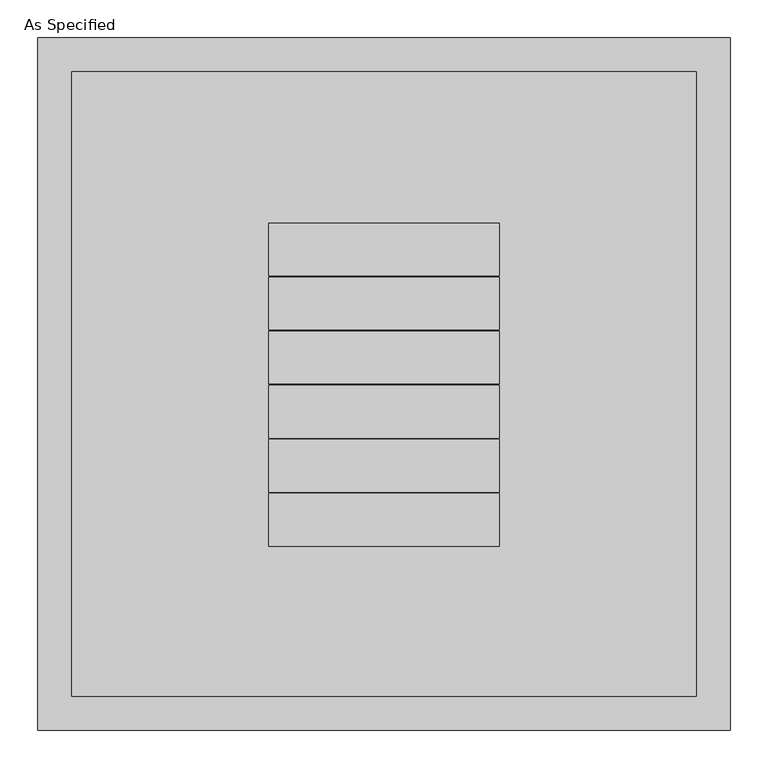
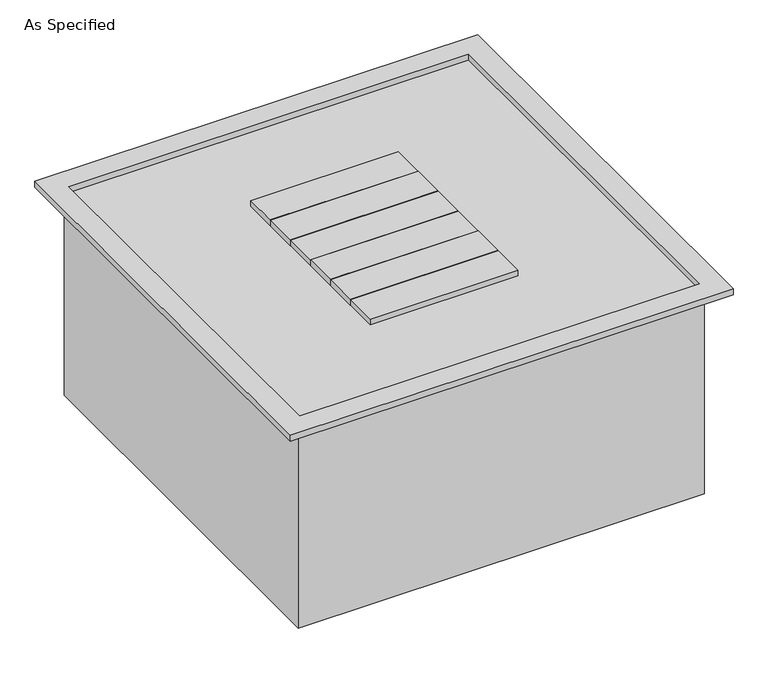
"""IFC4 building model written with IfcOpenShell, lengths in millimetres: proxy geometry, As Specified."""

from ifc_helpers import new_model, si_unit, origin, place, context, project, spatial, faceted_brep, source, transform, mapped, element, save


def as_specified_8537ca52(model_context):
    return source(origin(), model_context, "Body", "Brep", [
        faceted_brep([(457.2, 457.2, 12.7), (-457.2, 457.2, 12.7), (-457.2, -457.2, 12.7), (457.2, -457.2, 12.7), (-412.7499852, -412.7499927, 12.7), (-412.7499852, 412.7499852, 12.7), (412.7499927, 412.7499852, 12.7), (412.7499927, -412.7499927, 12.7), (152.3999926, 212.5979867, 12.7), (-152.4000111, 212.5979867, 12.7), (-152.4000111, 142.747989, 12.7), (152.3999926, 142.747989, 12.7), (-152.4000111, 141.2239876, 12.7), (-152.4000111, 71.3739899, 12.7), (152.3999926, 71.3739899, 12.7), (152.3999926, 141.2239876, 12.7), (152.3999926, 69.8499885, 12.7), (-152.4000111, 69.8499885, 12.7), (-152.4000111, 0.0, 12.7), (152.3999926, 0.0, 12.7), (-152.4000111, -1.5240092, 12.7), (-152.4000111, -71.3740084, 12.7), (152.3999926, -71.3740084, 12.7), (152.3999926, -1.5240092, 12.7), (152.3999926, -72.8980097, 12.7), (-152.4000111, -72.8980097, 12.7), (-152.4000111, -142.7480075, 12.7), (152.3999926, -142.7480075, 12.7), (-152.4000111, -144.2720088, 12.7), (-152.4000111, -214.1220066, 12.7), (152.3999926, -214.1220066, 12.7), (152.3999926, -144.2720088, 12.7), (457.2, 457.2, 0.0), (457.2, -457.2, 0.0), (-457.2, -457.2, 0.0), (-457.2, 457.2, 0.0), (419.1, 419.1, 0.0), (-419.1, 419.1, 0.0), (-419.1, -419.1, 0.0), (419.1, -419.1, 0.0), (419.1, 419.1, -444.5), (419.1, -419.1, -444.5), (-419.1, -419.1, -444.5), (-419.1, 419.1, -444.5), (-412.7499852, 412.7499852, 0.0), (-412.7499852, -412.7499927, 0.0), (412.7499927, -412.7499927, 0.0), (412.7499927, 412.7499852, 0.0), (-152.4000111, 212.5979867, 0.0), (152.3999926, 212.5979867, 0.0), (152.3999926, 142.747989, 0.0), (-152.4000111, 142.747989, 0.0), (-152.4000111, 71.3739899, 0.0), (-152.4000111, 141.2239876, 0.0), (152.3999926, 141.2239876, 0.0), (152.3999926, 71.3739899, 0.0), (-152.4000111, 69.8499885, 0.0), (152.3999926, 69.8499885, 0.0), (152.3999926, 0.0, 0.0), (-152.4000111, 0.0, 0.0), (-152.4000111, -71.3740084, 0.0), (-152.4000111, -1.5240092, 0.0), (152.3999926, -1.5240092, 0.0), (152.3999926, -71.3740084, 0.0), (-152.4000111, -72.8980097, 0.0), (152.3999926, -72.8980097, 0.0), (152.3999926, -142.7480075, 0.0), (-152.4000111, -142.7480075, 0.0), (-152.4000111, -214.1220066, 0.0), (-152.4000111, -144.2720088, 0.0), (152.3999926, -144.2720088, 0.0), (152.3999926, -214.1220066, 0.0)], [[[0, 1, 2, 3], [4, 5, 6, 7]], [[8, 9, 10, 11]], [[12, 13, 14, 15]], [[16, 17, 18, 19]], [[20, 21, 22, 23]], [[24, 25, 26, 27]], [[28, 29, 30, 31]], [[32, 33, 34, 35], [36, 37, 38, 39]], [[40, 41, 42, 43]], [[44, 45, 46, 47], [48, 49, 50, 51], [52, 53, 54, 55], [56, 57, 58, 59], [60, 61, 62, 63], [64, 65, 66, 67], [68, 69, 70, 71]], [[1, 0, 32, 35]], [[2, 1, 35, 34]], [[3, 2, 34, 33]], [[0, 3, 33, 32]], [[5, 4, 45, 44]], [[6, 5, 44, 47]], [[7, 6, 47, 46]], [[4, 7, 46, 45]], [[40, 43, 37, 36]], [[43, 42, 38, 37]], [[42, 41, 39, 38]], [[41, 40, 36, 39]], [[9, 8, 49, 48]], [[10, 9, 48, 51]], [[11, 10, 51, 50]], [[8, 11, 50, 49]], [[13, 12, 53, 52]], [[14, 13, 52, 55]], [[15, 14, 55, 54]], [[12, 15, 54, 53]], [[17, 16, 57, 56]], [[18, 17, 56, 59]], [[19, 18, 59, 58]], [[16, 19, 58, 57]], [[21, 20, 61, 60]], [[22, 21, 60, 63]], [[23, 22, 63, 62]], [[20, 23, 62, 61]], [[25, 24, 65, 64]], [[26, 25, 64, 67]], [[27, 26, 67, 66]], [[24, 27, 66, 65]], [[29, 28, 69, 68]], [[30, 29, 68, 71]], [[31, 30, 71, 70]], [[28, 31, 70, 69]]]),
    ])


if __name__ == "__main__":
    model = new_model("IFC4")
    model_context = context("Model", 3, world=origin())
    ifc_project = project(units=[si_unit("LENGTHUNIT", "METRE", prefix="MILLI")], contexts=[model_context])
    site = spatial("IfcSite", under=ifc_project)
    building = spatial("IfcBuilding", under=site)
    placement = place(None, origin())
    as_specified_shape = as_specified_8537ca52(model_context)
    element("IfcBuildingElementProxy", 1, Name="As Specified", ObjectType="As Specified", at=placement, inside=building, context=model_context, shape_type="MappedRepresentation", body=[
        mapped(as_specified_shape, transform((0.0, 0.0, 0.0), x_axis=(1.0, 0.0, 0.0), y_axis=(0.0, 1.0, 0.0), z_axis=(0.0, 0.0, 1.0))),
    ])
    save(model, "model.ifc")
